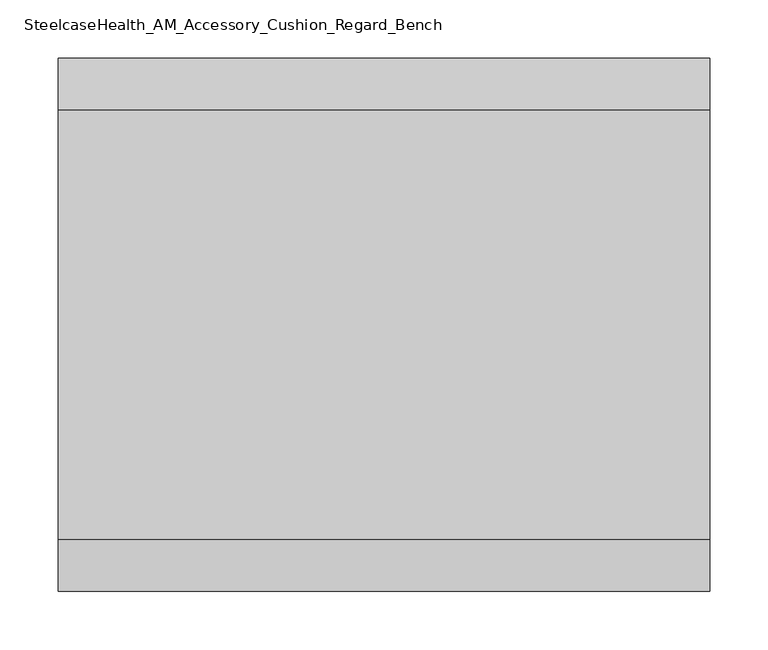
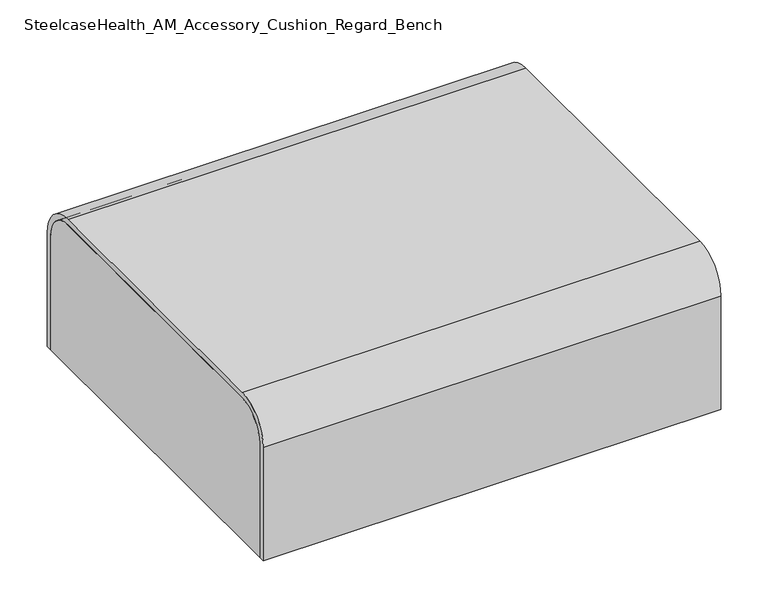
"""IFC4 building model written with IfcOpenShell, lengths in millimetres: furniture geometry, SteelcaseHealth_AM_Accessory_Cushion_Regard_Bench."""

from ifc_helpers import new_model, si_unit, point, frame, frame_2d, origin, place, context, project, spatial, polyline, circle_curve, trimmed, segment, composite_curve, outline, extrude, source, transform, mapped, element, save


def steelcasehealth_am_accessory_cushion_regard_bench_4a9931bb(model_context):
    return source(origin(), model_context, "Body", "SweptSolid", [
        extrude(outline(composite_curve([segment(trimmed(circle_curve(frame_2d((118.7267065, -76.6190759)), 3.81), [point((118.7267065, -72.8090759))], [point((122.5367065, -76.6190759))], False, "CARTESIAN"), True, "CONTINUOUS"), segment(polyline([(122.5367065, -76.6190759), (122.5367065, -416.1960423)]), True, "CONTINUOUS"), segment(trimmed(circle_curve(frame_2d((118.7267065, -416.1960423)), 3.81), [point((122.5367065, -416.1960423))], [point((118.7267065, -420.0060423))], False, "CARTESIAN"), True, "CONTINUOUS"), segment(polyline([(118.7267065, -420.0060423), (88.1294572, -420.0060423)]), True, "CONTINUOUS"), segment(trimmed(circle_curve(frame_2d((88.1294572, -416.3132917)), 3.6927507), [point((88.1294572, -420.0060423))], [point((84.4367065, -416.3132917))], False, "CARTESIAN"), True, "CONTINUOUS"), segment(polyline([(84.4367065, -416.3132917), (84.4367065, -76.6190759)]), True, "CONTINUOUS"), segment(trimmed(circle_curve(frame_2d((88.2467065, -76.6190759)), 3.81), [point((84.4367065, -76.6190759))], [point((88.2467065, -72.8090759))], False, "CARTESIAN"), True, "CONTINUOUS"), segment(polyline([(88.2467065, -72.8090759), (118.7267065, -72.8090759)]), True, "CONTINUOUS")], self_intersect=False)), frame((0.0, 0.0, 341.30234), z_axis=(0.0, 0.0, 1.0), x_axis=(1.0, 0.0, 0.0)), (0.0, 0.0, 1.0), 2.54),
        extrude(outline(composite_curve([segment(polyline([(440.0732935, -72.8090759), (470.5532935, -72.8090759)]), True, "CONTINUOUS"), segment(trimmed(circle_curve(frame_2d((470.5532935, -76.6190759)), 3.81), [point((470.5532935, -72.8090759))], [point((474.3632935, -76.6190759))], False, "CARTESIAN"), True, "CONTINUOUS"), segment(polyline([(474.3632935, -76.6190759), (474.3632935, -416.3132917)]), True, "CONTINUOUS"), segment(trimmed(circle_curve(frame_2d((470.6705428, -416.3132917)), 3.6927507), [point((474.3632935, -416.3132917))], [point((470.6705428, -420.0060423))], False, "CARTESIAN"), True, "CONTINUOUS"), segment(polyline([(470.6705428, -420.0060423), (440.0732935, -420.0060423)]), True, "CONTINUOUS"), segment(trimmed(circle_curve(frame_2d((440.0732935, -416.1960423)), 3.81), [point((440.0732935, -420.0060423))], [point((436.2632935, -416.1960423))], False, "CARTESIAN"), True, "CONTINUOUS"), segment(polyline([(436.2632935, -416.1960423), (436.2632935, -76.6190759)]), True, "CONTINUOUS"), segment(trimmed(circle_curve(frame_2d((440.0732935, -76.6190759)), 3.81), [point((436.2632935, -76.6190759))], [point((440.0732935, -72.8090759))], False, "CARTESIAN"), True, "CONTINUOUS")], self_intersect=False)), frame((0.0, 0.0, 341.30234), z_axis=(0.0, 0.0, 1.0), x_axis=(1.0, 0.0, 0.0)), (0.0, 0.0, 1.0), 2.54),
        extrude(outline(composite_curve([segment(trimmed(circle_curve(frame_2d((104.14, -93.665044)), 12.9188516), [point((91.2211484, -93.665044))], [point((117.0588516, -93.665044))], False, "CARTESIAN"), True, "CONTINUOUS"), segment(trimmed(circle_curve(frame_2d((104.14, -93.665044)), 12.9188516), [point((117.0588516, -93.665044))], [point((91.2211484, -93.665044))], False, "CARTESIAN"), True, "CONTINUOUS")], self_intersect=False), holes=[composite_curve([segment(trimmed(circle_curve(frame_2d((104.14, -93.665044)), 6.35), [point((97.79, -93.665044))], [point((110.49, -93.665044))], True, "CARTESIAN"), True, "CONTINUOUS"), segment(trimmed(circle_curve(frame_2d((104.14, -93.665044)), 6.35), [point((110.49, -93.665044))], [point((97.79, -93.665044))], True, "CARTESIAN"), True, "CONTINUOUS")], self_intersect=False)]), frame((0.0, 0.0, 343.84234), z_axis=(0.0, 0.0, 1.0), x_axis=(1.0, 0.0, 0.0)), (0.0, 0.0, 1.0), 6.35),
        extrude(outline(composite_curve([segment(trimmed(circle_curve(frame_2d((104.14, -223.205044)), 12.9188516), [point((91.2211484, -223.205044))], [point((117.0588516, -223.205044))], False, "CARTESIAN"), True, "CONTINUOUS"), segment(trimmed(circle_curve(frame_2d((104.14, -223.205044)), 12.9188516), [point((117.0588516, -223.205044))], [point((91.2211484, -223.205044))], False, "CARTESIAN"), True, "CONTINUOUS")], self_intersect=False), holes=[composite_curve([segment(trimmed(circle_curve(frame_2d((104.14, -223.205044)), 6.35), [point((97.79, -223.205044))], [point((110.49, -223.205044))], True, "CARTESIAN"), True, "CONTINUOUS"), segment(trimmed(circle_curve(frame_2d((104.14, -223.205044)), 6.35), [point((110.49, -223.205044))], [point((97.79, -223.205044))], True, "CARTESIAN"), True, "CONTINUOUS")], self_intersect=False)]), frame((0.0, 0.0, 343.84234), z_axis=(0.0, 0.0, 1.0), x_axis=(1.0, 0.0, 0.0)), (0.0, 0.0, 1.0), 6.35),
        extrude(outline(composite_curve([segment(trimmed(circle_curve(frame_2d((104.14, -401.005044)), 12.9188516), [point((91.2211484, -401.005044))], [point((117.0588516, -401.005044))], False, "CARTESIAN"), True, "CONTINUOUS"), segment(trimmed(circle_curve(frame_2d((104.14, -401.005044)), 12.9188516), [point((117.0588516, -401.005044))], [point((91.2211484, -401.005044))], False, "CARTESIAN"), True, "CONTINUOUS")], self_intersect=False), holes=[composite_curve([segment(trimmed(circle_curve(frame_2d((104.14, -401.005044)), 6.35), [point((97.79, -401.005044))], [point((110.49, -401.005044))], True, "CARTESIAN"), True, "CONTINUOUS"), segment(trimmed(circle_curve(frame_2d((104.14, -401.005044)), 6.35), [point((110.49, -401.005044))], [point((97.79, -401.005044))], True, "CARTESIAN"), True, "CONTINUOUS")], self_intersect=False)]), frame((0.0, 0.0, 343.84234), z_axis=(0.0, 0.0, 1.0), x_axis=(1.0, 0.0, 0.0)), (0.0, 0.0, 1.0), 6.35),
        extrude(outline(composite_curve([segment(trimmed(circle_curve(frame_2d((454.66, -93.665044)), 12.9188516), [point((441.7411484, -93.665044))], [point((467.5788516, -93.665044))], False, "CARTESIAN"), True, "CONTINUOUS"), segment(trimmed(circle_curve(frame_2d((454.66, -93.665044)), 12.9188516), [point((467.5788516, -93.665044))], [point((441.7411484, -93.665044))], False, "CARTESIAN"), True, "CONTINUOUS")], self_intersect=False), holes=[composite_curve([segment(trimmed(circle_curve(frame_2d((454.66, -93.665044)), 6.35), [point((448.31, -93.665044))], [point((461.01, -93.665044))], True, "CARTESIAN"), True, "CONTINUOUS"), segment(trimmed(circle_curve(frame_2d((454.66, -93.665044)), 6.35), [point((461.01, -93.665044))], [point((448.31, -93.665044))], True, "CARTESIAN"), True, "CONTINUOUS")], self_intersect=False)]), frame((0.0, 0.0, 343.84234), z_axis=(0.0, 0.0, 1.0), x_axis=(1.0, 0.0, 0.0)), (0.0, 0.0, 1.0), 6.35),
        extrude(outline(composite_curve([segment(trimmed(circle_curve(frame_2d((454.66, -223.205044)), 12.9188516), [point((441.7411484, -223.205044))], [point((467.5788516, -223.205044))], False, "CARTESIAN"), True, "CONTINUOUS"), segment(trimmed(circle_curve(frame_2d((454.66, -223.205044)), 12.9188516), [point((467.5788516, -223.205044))], [point((441.7411484, -223.205044))], False, "CARTESIAN"), True, "CONTINUOUS")], self_intersect=False), holes=[composite_curve([segment(trimmed(circle_curve(frame_2d((454.66, -223.205044)), 6.35), [point((448.31, -223.205044))], [point((461.01, -223.205044))], True, "CARTESIAN"), True, "CONTINUOUS"), segment(trimmed(circle_curve(frame_2d((454.66, -223.205044)), 6.35), [point((461.01, -223.205044))], [point((448.31, -223.205044))], True, "CARTESIAN"), True, "CONTINUOUS")], self_intersect=False)]), frame((0.0, 0.0, 343.84234), z_axis=(0.0, 0.0, 1.0), x_axis=(1.0, 0.0, 0.0)), (0.0, 0.0, 1.0), 6.35),
        extrude(outline(composite_curve([segment(trimmed(circle_curve(frame_2d((454.66, -401.005044)), 12.9188516), [point((441.7411484, -401.005044))], [point((467.5788516, -401.005044))], False, "CARTESIAN"), True, "CONTINUOUS"), segment(trimmed(circle_curve(frame_2d((454.66, -401.005044)), 12.9188516), [point((467.5788516, -401.005044))], [point((441.7411484, -401.005044))], False, "CARTESIAN"), True, "CONTINUOUS")], self_intersect=False), holes=[composite_curve([segment(trimmed(circle_curve(frame_2d((454.66, -401.005044)), 6.35), [point((448.31, -401.005044))], [point((461.01, -401.005044))], True, "CARTESIAN"), True, "CONTINUOUS"), segment(trimmed(circle_curve(frame_2d((454.66, -401.005044)), 6.35), [point((461.01, -401.005044))], [point((448.31, -401.005044))], True, "CARTESIAN"), True, "CONTINUOUS")], self_intersect=False)]), frame((0.0, 0.0, 343.84234), z_axis=(0.0, 0.0, 1.0), x_axis=(1.0, 0.0, 0.0)), (0.0, 0.0, 1.0), 6.35),
        extrude(outline(composite_curve([segment(polyline([(-0.4452516, 350.19234), (-441.984121, 350.19234), (-441.984121, 496.8762741)]), True, "CONTINUOUS"), segment(trimmed(circle_curve(frame_2d((-405.077497, 496.8762741)), 36.906624), [point((-441.984121, 496.8762741))], [point((-405.077497, 533.7828981))], False, "CARTESIAN"), True, "CONTINUOUS"), segment(polyline([(-405.077497, 533.7828981), (-36.6344245, 533.7828981)]), True, "CONTINUOUS"), segment(trimmed(circle_curve(frame_2d((-36.6344245, 497.5937253)), 36.1891728), [point((-36.6344245, 533.7828981))], [point((-0.4452516, 497.5937253))], False, "CARTESIAN"), True, "CONTINUOUS"), segment(polyline([(-0.4452516, 497.5937253), (-0.4452516, 350.19234)]), True, "CONTINUOUS")], self_intersect=False)), frame((0.0, 0.0, 0.0), z_axis=(1.0, 0.0, 0.0), x_axis=(0.0, 1.0, 0.0)), (0.0, 0.0, 1.0), 558.8),
        extrude(outline(composite_curve([segment(polyline([(7.1744141, 496.7635032), (7.1744141, 350.19234), (-0.4452516, 350.19234), (-0.4452516, 496.9528981)]), True, "CONTINUOUS"), segment(trimmed(circle_curve(frame_2d((-37.2752516, 496.9528981)), 36.83), [point((-0.4452516, 496.9528981))], [point((-37.2752516, 533.7828981))], True, "CARTESIAN"), True, "CONTINUOUS"), segment(polyline([(-37.2752516, 533.7828981), (-405.077497, 533.7828981)]), True, "CONTINUOUS"), segment(trimmed(circle_curve(frame_2d((-405.077497, 496.8762741)), 36.906624), [point((-405.077497, 533.7828981))], [point((-441.984121, 496.8762741))], True, "CARTESIAN"), True, "CONTINUOUS"), segment(polyline([(-441.984121, 496.8762741), (-441.984121, 350.19234), (-450.0255859, 350.19234), (-450.0255859, 496.7635032)]), True, "CONTINUOUS"), segment(trimmed(circle_curve(frame_2d((-405.5755859, 496.7635032)), 44.45), [point((-450.0255859, 496.7635032))], [point((-405.5755859, 541.2135032))], False, "CARTESIAN"), True, "CONTINUOUS"), segment(polyline([(-405.5755859, 541.2135032), (-37.2755859, 541.2135032)]), True, "CONTINUOUS"), segment(trimmed(circle_curve(frame_2d((-37.2755859, 496.7635032)), 44.45), [point((-37.2755859, 541.2135032))], [point((7.1744141, 496.7635032))], False, "CARTESIAN"), True, "CONTINUOUS")], self_intersect=False)), frame((0.0, 0.0, 0.0), z_axis=(1.0, 0.0, 0.0), x_axis=(0.0, 1.0, 0.0)), (0.0, 0.0, 1.0), 558.8),
    ])


if __name__ == "__main__":
    model = new_model("IFC4")
    model_context = context("Model", 3, world=origin())
    ifc_project = project(units=[si_unit("LENGTHUNIT", "METRE", prefix="MILLI")], contexts=[model_context])
    site = spatial("IfcSite", under=ifc_project)
    building = spatial("IfcBuilding", under=site)
    placement = place(None, origin())
    steelcasehealth_am_accessory_cushion_regard_bench_shape = steelcasehealth_am_accessory_cushion_regard_bench_4a9931bb(model_context)
    element("IfcFurniture", 1, ObjectType="SteelcaseHealth_AM_Accessory_Cushion_Regard_Bench", at=placement, inside=building, context=model_context, shape_type="MappedRepresentation", body=[
        mapped(steelcasehealth_am_accessory_cushion_regard_bench_shape, transform((0.0, 0.0, 0.0), x_axis=(1.0, 0.0, 0.0), y_axis=(0.0, 1.0, 0.0), z_axis=(0.0, 0.0, 1.0))),
    ])
    save(model, "model.ifc")
